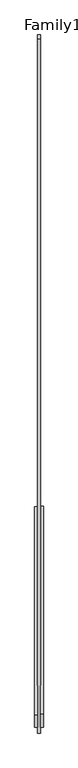
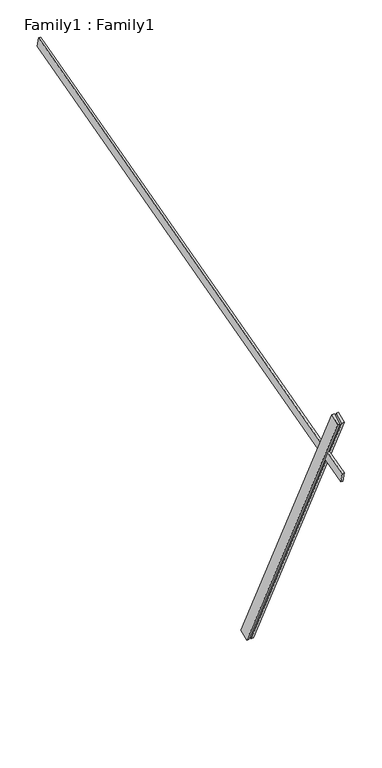
"""IFC4 building model written with IfcOpenShell, lengths in millimetres: proxy geometry, Family1 : Family1."""

from ifc_helpers import new_model, si_unit, frame, origin, place, context, project, spatial, polyline, outline, extrude, source, transform, mapped, element, save


def family1_family1_e4e36684(model_context):
    return source(origin(), model_context, "Body", "SweptSolid", [
        extrude(outline(polyline([(0.0, 0.0), (-100.0000001, 0.0), (-100.0000001, 20.0), (0.0, 20.0), (0.0, 0.0)])), frame((-30.0, -46.3241747, -22.5938096), z_axis=(0.0, -0.4383711467890692, 0.8987940462991711), x_axis=(0.0, -0.8987940462991711, -0.4383711467890692)), (0.0, 0.0, 1.0), 3300.0),
        extrude(outline(polyline([(0.0, 0.0), (-99.9999999, 0.0), (-99.9999999, 20.0), (0.0, 20.0), (0.0, 0.0)])), frame((10.0, -45.270232, -22.0797674), z_axis=(0.0, -0.4383711467890692, 0.8987940462991711), x_axis=(0.0, -0.8987940462991711, -0.4383711467890692)), (0.0, 0.0, 1.0), 3300.0),
        extrude(outline(polyline([(0.0, 20.0), (5000.0, 20.0), (5000.0, 0.0), (0.0, 0.0), (0.0, 20.0)])), frame((-10.0, 3323.6747845, 3684.3268404), z_axis=(0.0, -0.2588190451025232, 0.9659258262890676), x_axis=(0.0, -0.9659258262890676, -0.2588190451025232)), (0.0, 0.0, 1.0), 100.0),
    ])


if __name__ == "__main__":
    model = new_model("IFC4")
    model_context = context("Model", 3, world=origin())
    ifc_project = project(units=[si_unit("LENGTHUNIT", "METRE", prefix="MILLI")], contexts=[model_context])
    site = spatial("IfcSite", under=ifc_project)
    building = spatial("IfcBuilding", under=site)
    placement = place(None, origin())
    family1_family1_shape = family1_family1_e4e36684(model_context)
    element("IfcBuildingElementProxy", 1, Name="Family1 : Family1", ObjectType="Family1 : Family1", at=placement, inside=building, context=model_context, shape_type="MappedRepresentation", body=[
        mapped(family1_family1_shape, transform((0.0, 0.0, 0.0), x_axis=(1.0, 0.0, 0.0), y_axis=(0.0, 1.0, 0.0), z_axis=(0.0, 0.0, 1.0))),
    ])
    save(model, "model.ifc")
